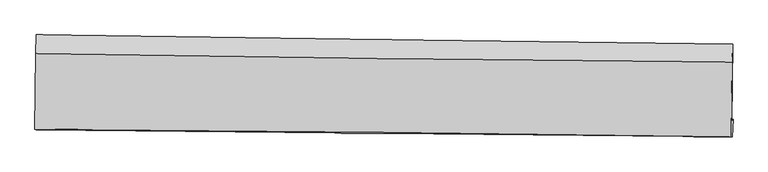
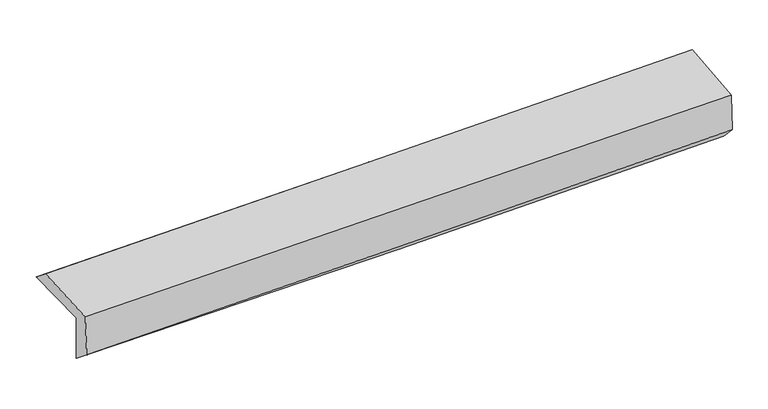
"""IFC4 building model written with IfcOpenShell, lengths in millimetres: proxy geometry."""

from ifc_helpers import new_model, si_unit, frame, origin, place, context, project, spatial, source, transform, mapped, element, save
from ifc_brep_helpers import plane_surface, spline_curve, spline_surface, advanced_brep


def generic_models_96a12bd7(model_context):
    return source(origin(), model_context, "Body", "AdvancedBrep", [
        advanced_brep(
        [(-3029.9879977, -1757.0023785, 1965.6902446), (-3021.8933762, -1093.7630328, 1971.6969683), (3015.4411526, -1174.1793346, 2132.1741791), (3008.0189451, -1842.5839286, 2098.5042179), (-3018.7449373, -1741.0070368, 1550.9863074), (3018.7856035, -1827.2663571, 1701.3725211), (-3024.8121283, -1919.879398, 1695.2155325), (3012.625654, -1978.9516942, 1861.7905628), (-3034.8202456, -1914.4245197, 2073.5717478), (3003.3241767, -1982.7856072, 2209.2712304), (-3027.3350119, -1256.7359527, 2099.8669858), (3009.9632967, -1328.6973365, 2265.6556361)],
        [
            (0, 1),
            (1, 2, spline_curve(3, [(-3021.8933762, -1093.7630328, 1971.6969683), (-2015.450418867, -1107.839332555, 1989.487932048), (-1009.112950913, -1121.578901505, 2011.756684314), (1003.331888326, -1148.384322439, 2065.249258296), (2009.439263052, -1161.450187744, 2096.472909447), (3015.4411526, -1174.1793346, 2132.1741791)], [4, 2, 4], [0.0, 9.908486015560309, 19.816783768121528])),
            (2, 3),
            (3, 0, spline_curve(3, [(3008.0189451, -1842.5839286, 2098.5042179), (2002.168014744, -1827.029480511, 2058.454786237), (996.080086586, -1812.120522662, 2027.362259425), (-1016.588885102, -1783.593314525, 1983.090594786), (-2023.169938115, -1769.975089248, 1969.911797013), (-3029.9879977, -1757.0023785, 1965.6902446)], [4, 2, 4], [0.0, 9.90829775256122, 19.816783768121528])),
            (4, 0),
            (3, 5),
            (5, 4, spline_curve(3, [(3018.7856035, -1827.2663571, 1701.3725211), (2012.861162416, -1811.816491642, 1664.034554012), (1006.776178125, -1796.903345719, 1632.833446671), (-1005.733995733, -1768.150218321, 1582.704475695), (-2012.159191819, -1754.310257865, 1563.776844898), (-3018.7449373, -1741.0070368, 1550.9863074)], [4, 2, 4], [0.0, 9.90838721075544, 19.81696268620972])),
            (6, 4),
            (5, 7),
            (7, 6, spline_curve(3, [(3012.625654, -1978.9516942, 1861.7905628), (2006.484652208, -1968.545114359, 1830.227540642), (1000.299116409, -1958.419177287, 1800.564891167), (-1012.180142523, -1938.728401447, 1745.039808535), (-2018.473867487, -1929.163573097, 1719.177448427), (-3024.8121283, -1919.879398, 1695.2155325)], [4, 2, 4], [0.0, 9.908138074126528, 19.81646440821817])),
            (8, 6),
            (7, 9),
            (9, 8, spline_curve(3, [(3003.3241767, -1982.7856072, 2209.2712304), (1997.100354223, -1967.171321982, 2183.251937485), (990.81452203, -1953.667456124, 2158.934092133), (-1021.900282782, -1930.880346994, 2113.700866343), (-2028.329258267, -1921.597183487, 2092.785550953), (-3034.8202456, -1914.4245197, 2073.5717478)], [4, 2, 4], [0.0, 9.908099655646103, 19.816387570527347])),
            (10, 8),
            (9, 11),
            (11, 10, spline_curve(3, [(3009.9632967, -1328.6973365, 2265.6556361), (2003.703351495, -1321.065028673, 2237.262423568), (997.469966084, -1311.252170356, 2209.250224304), (-1014.962804556, -1287.265125163, 2153.987326289), (-2021.162188466, -1273.090855497, 2126.736642272), (-3027.3350119, -1256.7359527, 2099.8669858)], [4, 2, 4], [0.0, 9.908065670282726, 19.816319599154852])),
            (1, 10),
            (11, 2),
        ],
        [
            spline_surface(3, 3, [[(-3029.9879977, -1757.0023785, 1965.6902446), (-2023.169938109, -1769.975089398, 1969.911797067), (-1016.588885218, -1783.593314648, 1983.090594711), (996.080086702, -1812.120522539, 2027.3622595), (2002.168014759, -1827.029480666, 2058.454786329), (3008.0189451, -1842.5839286, 2098.5042179)], [(-3027.289790513, -1535.922596597, 1967.692485823), (-2020.596765001, -1549.263170448, 1976.437175381), (-1014.096907077, -1562.921843583, 1992.645957951), (998.497353846, -1590.875122557, 2039.991259066), (2004.591764206, -1605.169716324, 2071.127494033), (3010.493014298, -1619.782397271, 2109.727538318)], [(-3024.591583387, -1314.842814703, 1969.694727077), (-2018.023591955, -1328.551251507, 1982.962553726), (-1011.604928899, -1342.250372467, 2002.201321183), (1000.914621027, -1369.629722524, 2052.620258622), (2007.01551356, -1383.309951969, 2083.800201682), (3012.967083402, -1396.980865929, 2120.950858682)], [(-3021.8933762, -1093.7630328, 1971.6969683), (-2015.450418847, -1107.839332558, 1989.487932039), (-1009.112950758, -1121.578901402, 2011.756684423), (1003.331888171, -1148.384322542, 2065.249258188), (2009.439263007, -1161.450187627, 2096.472909386), (3015.4411526, -1174.1793346, 2132.1741791)]], [4, 4], [4, 2, 4], [0.0, 2.177660290397886], [0.0, 9.908486015560309, 19.816783768121528]),
            spline_surface(3, 3, [[(-3018.7449373, -1741.0070368, 1550.9863074), (-2012.159191917, -1754.31025781, 1563.776844972), (-1005.733995893, -1768.150218433, 1582.704475618), (1006.776178285, -1796.903345607, 1632.833446748), (2012.861162503, -1811.816491728, 1664.03455396), (3018.7856035, -1827.2663571, 1701.3725211)], [(-3022.492624092, -1746.338817378, 1689.220953146), (-2015.82944064, -1759.531868351, 1699.155162349), (-1009.35229231, -1773.297917169, 1716.166515313), (1003.210814449, -1801.975737915, 1764.343050996), (2009.29677991, -1816.887488035, 1795.507964722), (3015.196717355, -1832.372214261, 1833.749753339)], [(-3026.240310908, -1751.670597922, 1827.455598854), (-2019.499689386, -1764.753478857, 1834.533479689), (-1012.970588801, -1778.445615912, 1849.628555016), (999.645450538, -1807.048130231, 1895.852655252), (2005.732397352, -1821.958484359, 1926.981375567), (3011.607831245, -1837.478071439, 1966.126985661)], [(-3029.9879977, -1757.0023785, 1965.6902446), (-2023.169938109, -1769.975089398, 1969.911797067), (-1016.588885218, -1783.593314648, 1983.090594711), (996.080086702, -1812.120522539, 2027.3622595), (2002.168014759, -1827.029480666, 2058.454786329), (3008.0189451, -1842.5839286, 2098.5042179)]], [4, 4], [4, 2, 4], [0.0, 1.305442878846258], [0.0, 9.908575475454281, 19.81696268620972]),
            spline_surface(3, 3, [[(-3024.8121283, -1919.879398, 1695.2155325), (-2018.473867499, -1929.163573057, 1719.177448294), (-1012.180142596, -1938.728401324, 1745.039808694), (1000.299116482, -1958.41917741, 1800.564891008), (2006.484652339, -1968.545114501, 1830.227540713), (3012.625654, -1978.9516942, 1861.7905628)], [(-3022.789731316, -1860.255277619, 1647.139124114), (-2016.368975654, -1870.87913466, 1667.377247167), (-1010.031427038, -1881.869007019, 1690.928030992), (1002.458137073, -1904.5805668, 1744.654409579), (2008.610155719, -1916.302240254, 1774.829878465), (3014.678970493, -1928.389915177, 1808.317882237)], [(-3020.767334284, -1800.631157181, 1599.062715786), (-2014.264083762, -1812.594696207, 1615.577046099), (-1007.882711451, -1825.009612738, 1636.816253319), (1004.617157694, -1850.741956217, 1688.743928178), (2010.735659122, -1864.059365975, 1719.432216208), (3016.732287007, -1877.828136123, 1754.845201663)], [(-3018.7449373, -1741.0070368, 1550.9863074), (-2012.159191917, -1754.31025781, 1563.776844972), (-1005.733995893, -1768.150218433, 1582.704475618), (1006.776178285, -1796.903345607, 1632.833446748), (2012.861162503, -1811.816491728, 1664.03455396), (3018.7856035, -1827.2663571, 1701.3725211)]], [4, 4], [4, 2, 4], [0.0, 0.7683709665934229], [0.0, 9.908326334091642, 19.81646440821817]),
            spline_surface(3, 3, [[(-3034.8202456, -1914.4245197, 2073.5717478), (-2028.329258186, -1921.597183545, 2092.785551028), (-1021.900282912, -1930.880346876, 2113.700866483), (990.814522161, -1953.667456243, 2158.934091994), (1997.100354329, -1967.171322076, 2183.251937432), (3003.3241767, -1982.7856072, 2209.2712304)], [(-3031.484206492, -1916.242812455, 1947.453009367), (-2025.044127948, -1924.11931337, 1968.249516784), (-1018.660236129, -1933.496365012, 1990.813847214), (993.976053612, -1955.251363285, 2039.47769166), (2000.228453682, -1967.629252891, 2065.577138537), (3006.42466915, -1981.507636207, 2093.444341211)], [(-3028.148167408, -1918.061105245, 1821.334270933), (-2021.758997736, -1926.641443232, 1843.713482538), (-1015.420189379, -1936.112383188, 1867.926827962), (997.137585031, -1956.835270368, 1920.021291342), (2003.356552985, -1968.087183686, 1947.902339608), (3009.52516155, -1980.229665193, 1977.617451989)], [(-3024.8121283, -1919.879398, 1695.2155325), (-2018.473867499, -1929.163573057, 1719.177448294), (-1012.180142596, -1938.728401324, 1745.039808694), (1000.299116482, -1958.41917741, 1800.564891008), (2006.484652339, -1968.545114501, 1830.227540713), (3012.625654, -1978.9516942, 1861.7905628)]], [4, 4], [4, 2, 4], [0.0, 1.1932303059271563], [0.0, 9.908287914881244, 19.816387570527347]),
            spline_surface(3, 3, [[(-3027.3350119, -1256.7359527, 2099.8669858), (-2021.162188486, -1273.090855554, 2126.736642335), (-1014.962804503, -1287.265125212, 2153.987326334), (997.469966031, -1311.252170307, 2209.250224259), (2003.703351599, -1321.065028531, 2237.262423668), (3009.9632967, -1328.6973365, 2265.6556361)], [(-3029.830089802, -1475.96547504, 2091.101906484), (-2023.551211722, -1489.259631557, 2115.419611916), (-1017.275297303, -1501.803532454, 2140.558506389), (995.251484743, -1525.390598972, 2192.478180176), (2001.502352511, -1536.433793029, 2219.258928248), (3007.750256703, -1546.726760049, 2246.860834192)], [(-3032.325167698, -1695.19499736, 2082.336827116), (-2025.94023495, -1705.428407541, 2104.102581447), (-1019.587790112, -1716.341939634, 2127.129686427), (993.033003448, -1739.529027577, 2175.706136076), (1999.301353416, -1751.802557578, 2201.255432852), (3005.537216697, -1764.756183651, 2228.066032308)], [(-3034.8202456, -1914.4245197, 2073.5717478), (-2028.329258186, -1921.597183545, 2092.785551028), (-1021.900282912, -1930.880346876, 2113.700866483), (990.814522161, -1953.667456243, 2158.934091994), (1997.100354329, -1967.171322076, 2183.251937432), (3003.3241767, -1982.7856072, 2209.2712304)]], [4, 4], [4, 2, 4], [0.0, 2.114976642352752], [0.0, 9.908253928872126, 19.816319599154852]),
            spline_surface(3, 3, [[(-3021.8933762, -1093.7630328, 1971.6969683), (-2015.450418847, -1107.839332558, 1989.487932039), (-1009.112950758, -1121.578901402, 2011.756684423), (1003.331888171, -1148.384322542, 2065.249258188), (2009.439263007, -1161.450187627, 2096.472909386), (3015.4411526, -1174.1793346, 2132.1741791)], [(-3023.707254785, -1148.087339411, 2014.420307467), (-2017.354342079, -1162.923173535, 2035.237502138), (-1011.062902022, -1176.807642659, 2059.166898402), (1001.377914108, -1202.673605117, 2113.249580221), (2007.527292506, -1214.655134596, 2143.402747484), (3013.615200602, -1225.685335234, 2176.667998103)], [(-3025.521133315, -1202.411646089, 2057.143646633), (-2019.258265255, -1218.007014577, 2080.987072237), (-1013.012853239, -1232.036383955, 2106.577112355), (999.423940093, -1256.962887731, 2161.249902226), (2005.6153221, -1267.860081562, 2190.332585571), (3011.789248698, -1277.191335866, 2221.161817097)], [(-3027.3350119, -1256.7359527, 2099.8669858), (-2021.162188486, -1273.090855554, 2126.736642335), (-1014.962804503, -1287.265125212, 2153.987326334), (997.469966031, -1311.252170307, 2209.250224259), (2003.703351599, -1321.065028531, 2237.262423668), (3009.9632967, -1328.6973365, 2265.6556361)]], [4, 4], [4, 2, 4], [0.0, 0.7150678667397605], [0.0, 9.908274697738944, 19.816361136493875]),
            plane_surface(frame((3011.3598048, -1689.0773764, 2044.7947246), z_axis=(0.999568224705045, -0.0124404901543159, 0.026619510978324483), x_axis=(0.026757117856144284, 0.01102883526664778, -0.9995811229893717))),
            plane_surface(frame((-3026.2656162, -1613.8020531, 1892.8379644), z_axis=(-0.9995682247050389, 0.012440490155067941, -0.026619510978203118), x_axis=(-0.012203267101801031, -0.999884531525732, -0.009055599792922985))),
        ],
        [
            (0, [[1, 2, 3, 4]]),
            (1, [[5, -4, 6, 7]]),
            (2, [[8, -7, 9, 10]]),
            (3, [[11, -10, 12, 13]]),
            (4, [[14, -13, 15, 16]]),
            (5, [[17, -16, 18, -2]]),
            (6, [[-12, -9, -6, -3, -18, -15]]),
            (7, [[-1, -5, -8, -11, -14, -17]]),
        ],
    ),
    ])


if __name__ == "__main__":
    model = new_model("IFC4")
    model_context = context("Model", 3, world=origin())
    ifc_project = project(units=[si_unit("LENGTHUNIT", "METRE", prefix="MILLI")], contexts=[model_context])
    site = spatial("IfcSite", under=ifc_project)
    building = spatial("IfcBuilding", under=site)
    placement = place(None, origin())
    generic_models_shape = generic_models_96a12bd7(model_context)
    element("IfcBuildingElementProxy", 1, Name="Generic Models", at=placement, inside=building, context=model_context, shape_type="MappedRepresentation", body=[
        mapped(generic_models_shape, transform((0.0, 0.0, 0.0), x_axis=(1.0, 0.0, 0.0), y_axis=(0.0, 1.0, 0.0), z_axis=(0.0, 0.0, 1.0))),
    ])
    save(model, "model.ifc")
